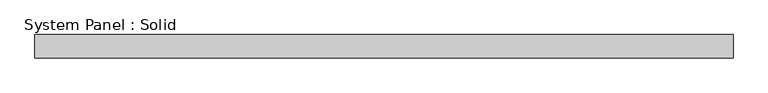
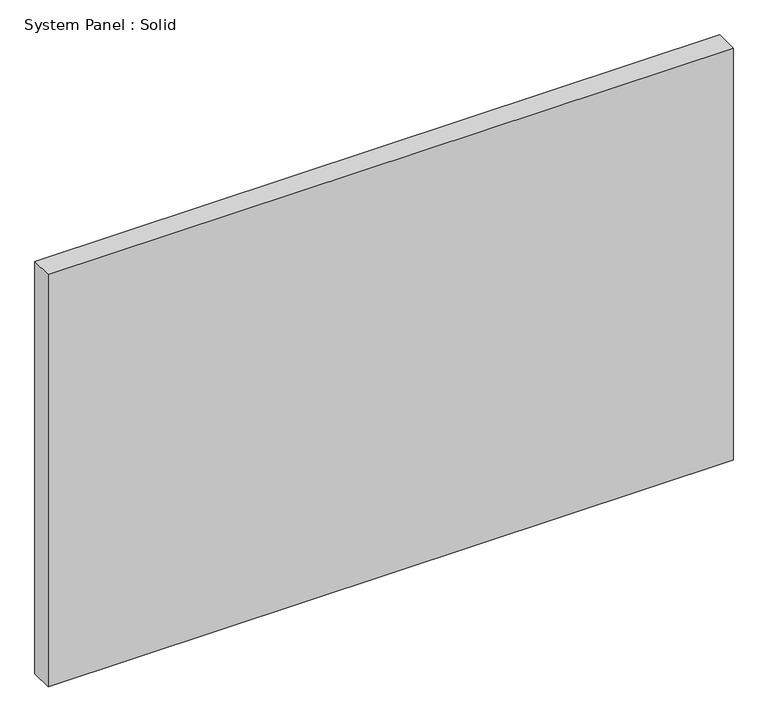
"""IFC4 building model written with IfcOpenShell, lengths in millimetres: plate geometry, System Panel : Solid."""

from ifc_helpers import new_model, si_unit, origin, origin_with_axes, place, context, project, spatial, polyline, outline, extrude, source, transform, mapped, element, save


def system_panel_solid_eaf0e063(model_context):
    return source(origin(), model_context, "Body", "SweptSolid", [
        extrude(outline(polyline([(895.5, -10.5), (-895.5, -10.5), (-895.5, 49.5), (895.5, 49.5), (895.5, -10.5)])), origin_with_axes(), (0.0, 0.0, 1.0), 1140.0),
    ])


if __name__ == "__main__":
    model = new_model("IFC4")
    model_context = context("Model", 3, world=origin())
    ifc_project = project(units=[si_unit("LENGTHUNIT", "METRE", prefix="MILLI")], contexts=[model_context])
    site = spatial("IfcSite", under=ifc_project)
    building = spatial("IfcBuilding", under=site)
    placement = place(None, origin())
    system_panel_solid_shape = system_panel_solid_eaf0e063(model_context)
    element("IfcPlate", 1, ObjectType="System Panel : Solid", at=placement, inside=building, context=model_context, shape_type="MappedRepresentation", body=[
        mapped(system_panel_solid_shape, transform((0.0, 0.0, 0.0), x_axis=(1.0, 0.0, 0.0), y_axis=(0.0, 1.0, 0.0), z_axis=(0.0, 0.0, 1.0))),
    ])
    save(model, "model.ifc")
